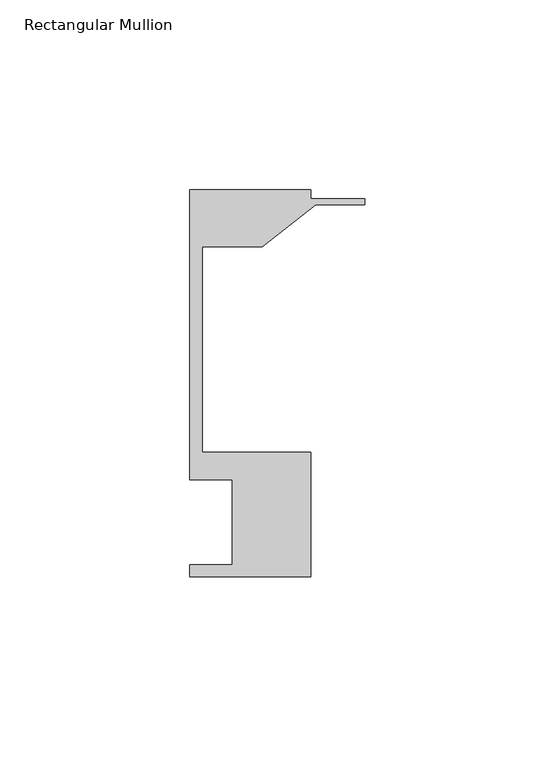
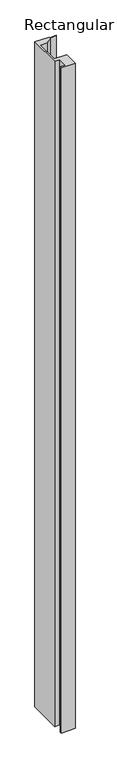
"""IFC4 building model written with IfcOpenShell, lengths in millimetres: member geometry, Rectangular Mullion."""

from ifc_helpers import new_model, si_unit, frame, origin, place, context, project, spatial, polyline, outline, extrude, source, transform, mapped, element, save


def rectangular_mullion_55767b89(model_context):
    return source(origin(), model_context, "Body", "SweptSolid", [
        extrude(outline(polyline([(-46.0248, 12.6444375), (-46.0248, 15.8194375), (-34.9123, 15.8194375), (-34.9123, 38.2984375), (-46.0248, 38.2984375), (-46.0248, 114.4984375), (-14.2748, 114.4984375), (-14.2748, 112.2124375), (0.0, 112.2124375), (0.0, 110.6249375), (-12.9857923, 110.6249375), (-27.0068481, 99.5124375), (-42.8498, 99.5124375), (-42.8498, 45.4358375), (-14.2748, 45.4358375), (-14.2748, 12.6444375), (-46.0248, 12.6444375)])), frame((0.0, 0.0, -1574.8), z_axis=(0.0, 0.0, 1.0), x_axis=(1.0, 0.0, 0.0)), (0.0, 0.0, 1.0), 1574.8),
    ])


if __name__ == "__main__":
    model = new_model("IFC4")
    model_context = context("Model", 3, world=origin())
    ifc_project = project(units=[si_unit("LENGTHUNIT", "METRE", prefix="MILLI")], contexts=[model_context])
    site = spatial("IfcSite", under=ifc_project)
    building = spatial("IfcBuilding", under=site)
    placement = place(None, origin())
    rectangular_mullion_shape = rectangular_mullion_55767b89(model_context)
    element("IfcMember", 1, ObjectType="Rectangular Mullion", at=placement, inside=building, context=model_context, shape_type="MappedRepresentation", body=[
        mapped(rectangular_mullion_shape, transform((0.0, 0.0, 0.0), x_axis=(1.0, 0.0, 0.0), y_axis=(0.0, 1.0, 0.0), z_axis=(0.0, 0.0, 1.0))),
    ])
    save(model, "model.ifc")
